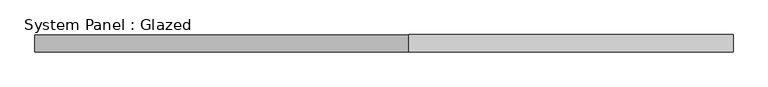
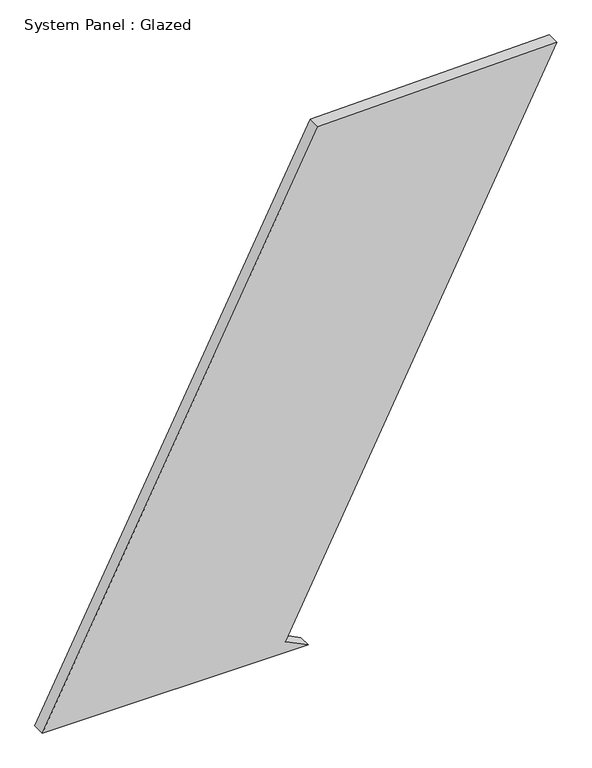
"""IFC4 building model written with IfcOpenShell, lengths in millimetres: plate geometry, System Panel : Glazed."""

from ifc_helpers import new_model, si_unit, frame, origin, place, context, project, spatial, polyline, outline, extrude, source, transform, mapped, element, save


def system_panel_glazed_64ac410d(model_context):
    return source(origin(), model_context, "Body", "SweptSolid", [
        extrude(outline(polyline([(0.0, -500.9237202), (0.0, 17.2340136), (22.4913077, -27.4217932), (1071.5052403, 500.9237202), (1060.397706, 35.589081), (0.0, -500.9237202)])), frame((0.0, -49.5, 0.0), z_axis=(0.0, 1.0, 0.0), x_axis=(0.0, 0.0, 1.0)), (0.0, 0.0, 1.0), 25.0),
    ])


if __name__ == "__main__":
    model = new_model("IFC4")
    model_context = context("Model", 3, world=origin())
    ifc_project = project(units=[si_unit("LENGTHUNIT", "METRE", prefix="MILLI")], contexts=[model_context])
    site = spatial("IfcSite", under=ifc_project)
    building = spatial("IfcBuilding", under=site)
    placement = place(None, origin())
    system_panel_glazed_shape = system_panel_glazed_64ac410d(model_context)
    element("IfcPlate", 1, ObjectType="System Panel : Glazed", at=placement, inside=building, context=model_context, shape_type="MappedRepresentation", body=[
        mapped(system_panel_glazed_shape, transform((0.0, 0.0, 0.0), x_axis=(1.0, 0.0, 0.0), y_axis=(0.0, 1.0, 0.0), z_axis=(0.0, 0.0, 1.0))),
    ])
    save(model, "model.ifc")
